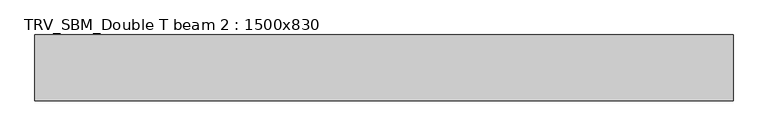
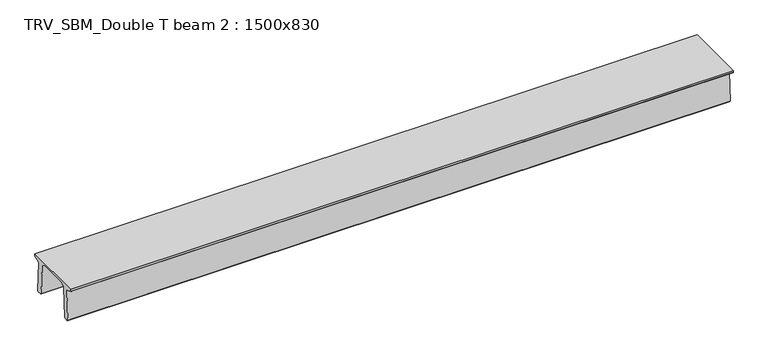
"""IFC4 building model written with IfcOpenShell, lengths in millimetres: beam geometry, TRV_SBM_Double T beam 2 : 1500x830."""

from ifc_helpers import new_model, si_unit, frame, origin, place, context, project, spatial, polyline, outline, extrude, source, transform, mapped, element, save


def trv_sbm_double_t_beam_2_1500x830_b34fdd7c(model_context):
    return source(origin(), model_context, "Body", "SweptSolid", [
        extrude(outline(polyline([(337.4555014, 470.0), (-343.4555014, 470.0), (-456.5828437, 409.8491251), (-494.786332, -340.5206011), (-514.2657308, -360.0), (-604.2657308, -360.0), (-624.8277662, -339.4379646), (-586.9373878, 401.9654693), (-752.8511046, 468.9989621), (-753.0, 475.0), (-753.0, 520.0), (747.0, 520.0), (747.0, 475.0), (746.8511046, 468.9989621), (580.9373878, 401.9654693), (618.8277662, -339.4379646), (598.2657308, -360.0), (508.2657308, -360.0), (488.786332, -340.5206011), (450.5828437, 409.8491251), (337.4555014, 470.0)])), frame((-7923.0, 0.0, 0.0), z_axis=(1.0, 0.0, 0.0), x_axis=(0.0, 1.0, 0.0)), (0.0, 0.0, 1.0), 15923.0),
    ])


if __name__ == "__main__":
    model = new_model("IFC4")
    model_context = context("Model", 3, world=origin())
    ifc_project = project(units=[si_unit("LENGTHUNIT", "METRE", prefix="MILLI")], contexts=[model_context])
    site = spatial("IfcSite", under=ifc_project)
    building = spatial("IfcBuilding", under=site)
    placement = place(None, origin())
    trv_sbm_double_t_beam_2_1500x830_shape = trv_sbm_double_t_beam_2_1500x830_b34fdd7c(model_context)
    element("IfcBeam", 1, ObjectType="TRV_SBM_Double T beam 2 : 1500x830", at=placement, inside=building, context=model_context, shape_type="MappedRepresentation", body=[
        mapped(trv_sbm_double_t_beam_2_1500x830_shape, transform((0.0, 0.0, 0.0), x_axis=(1.0, 0.0, 0.0), y_axis=(0.0, 1.0, 0.0), z_axis=(0.0, 0.0, 1.0))),
    ])
    save(model, "model.ifc")
